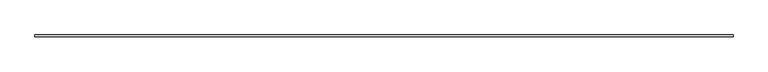
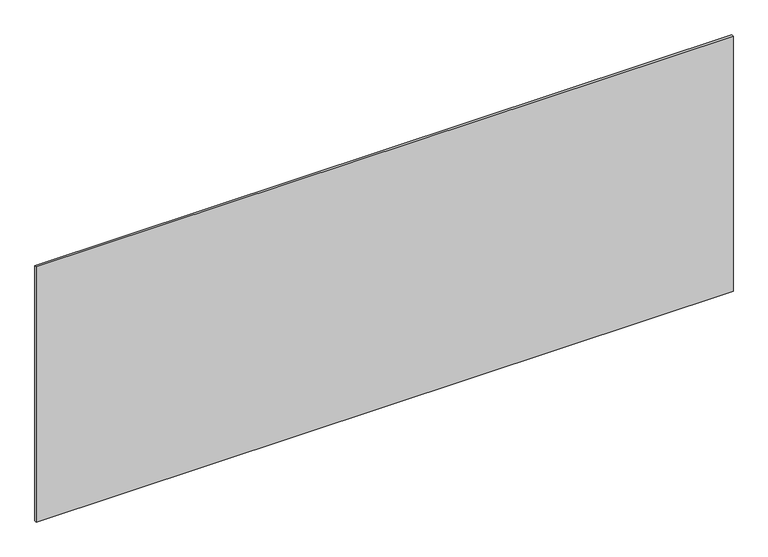
"""IFC4 building model written with IfcOpenShell, lengths in millimetres: plate geometry."""

from ifc_helpers import new_model, si_unit, origin, origin_with_axes, place, context, project, spatial, polyline, outline, extrude, source, transform, mapped, element, save


def plate_149d2ef8(model_context):
    return source(origin(), model_context, "Body", "SweptSolid", [
        extrude(outline(polyline([(1715.0, -5.0), (-1715.0, -5.0), (-1715.0, 5.0), (1715.0, 5.0), (1715.0, -5.0)])), origin_with_axes(), (0.0, 0.0, 1.0), 1327.5187473),
    ])


if __name__ == "__main__":
    model = new_model("IFC4")
    model_context = context("Model", 3, world=origin())
    ifc_project = project(units=[si_unit("LENGTHUNIT", "METRE", prefix="MILLI")], contexts=[model_context])
    site = spatial("IfcSite", under=ifc_project)
    building = spatial("IfcBuilding", under=site)
    placement = place(None, origin())
    plate_shape = plate_149d2ef8(model_context)
    element("IfcPlate", 1, at=placement, inside=building, context=model_context, shape_type="MappedRepresentation", body=[
        mapped(plate_shape, transform((0.0, 0.0, 0.0), x_axis=(1.0, 0.0, 0.0), y_axis=(0.0, 1.0, 0.0), z_axis=(0.0, 0.0, 1.0))),
    ])
    save(model, "model.ifc")
